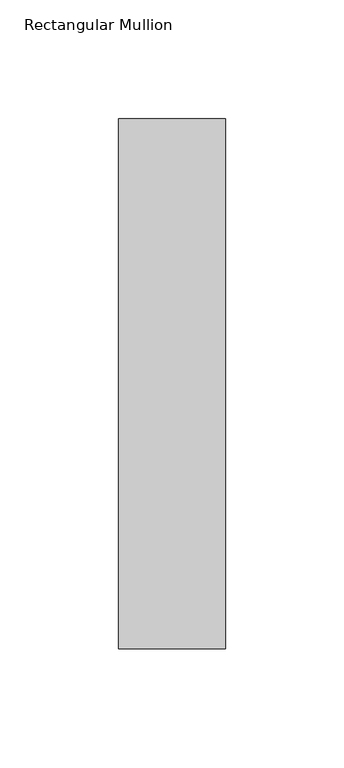
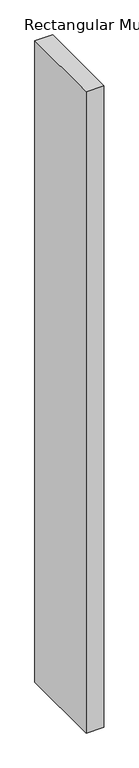
"""IFC4 building model written with IfcOpenShell, lengths in millimetres: member geometry, Rectangular Mullion."""

from ifc_helpers import new_model, si_unit, frame, origin, place, context, project, spatial, polyline, outline, extrude, source, transform, mapped, element, save


def rectangular_mullion_1d0540a5(model_context):
    return source(origin(), model_context, "Body", "SweptSolid", [
        extrude(outline(polyline([(22.5, 177.05), (22.5, -46.05), (-22.5, -46.05), (-22.5, 177.05), (22.5, 177.05)])), frame((0.0, 0.0, -1708.8912252), z_axis=(0.0, 0.0, 1.0), x_axis=(1.0, 0.0, 0.0)), (0.0, 0.0, 1.0), 1708.8912252),
    ])


if __name__ == "__main__":
    model = new_model("IFC4")
    model_context = context("Model", 3, world=origin())
    ifc_project = project(units=[si_unit("LENGTHUNIT", "METRE", prefix="MILLI")], contexts=[model_context])
    site = spatial("IfcSite", under=ifc_project)
    building = spatial("IfcBuilding", under=site)
    placement = place(None, origin())
    rectangular_mullion_shape = rectangular_mullion_1d0540a5(model_context)
    element("IfcMember", 1, ObjectType="Rectangular Mullion", at=placement, inside=building, context=model_context, shape_type="MappedRepresentation", body=[
        mapped(rectangular_mullion_shape, transform((0.0, 0.0, 0.0), x_axis=(1.0, 0.0, 0.0), y_axis=(0.0, 1.0, 0.0), z_axis=(0.0, 0.0, 1.0))),
    ])
    save(model, "model.ifc")
